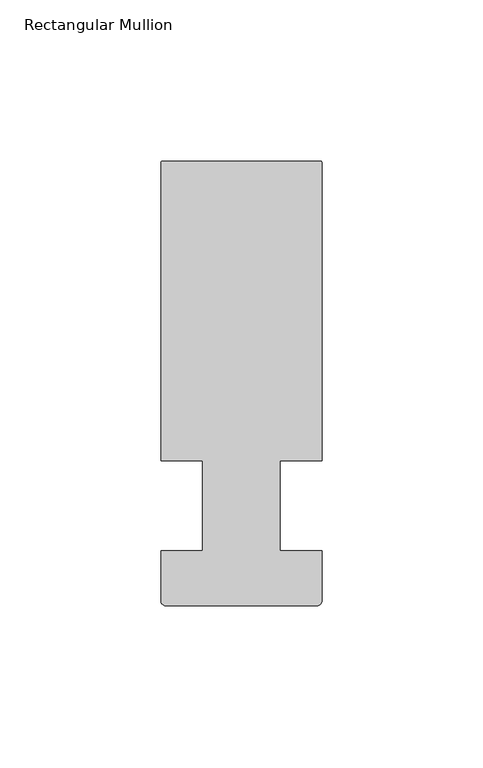
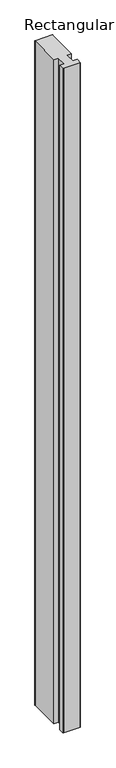
"""IFC4 building model written with IfcOpenShell, lengths in millimetres: member geometry, Rectangular Mullion."""

import ifcopenshell
import ifcopenshell.guid

model = None  # the IFC model being written
_history = None  # IfcOwnerHistory: only IFC2X3 demands one
_inside = {}  # id of a spatial element -> (the spatial element, [elements in it])
_under = {}  # id of a project, library or spatial element -> (it, [spatial elements below it])
_declared = {}  # id of a project -> (the project, [libraries it declares])
_typed = {}  # id of a type object -> (the type object, [elements of that type])
_made_of = {}  # id of a material, layer set ... -> (it, [elements and type objects made of it])


def new_model(schema):
    """Start an empty IFC model of exactly this schema.

    Asked for "IFC4X3", IfcOpenShell would pick the latest addendum, in which some entities
    have other attributes; the version numbers below select the first issue.
    IFC2X3 requires an IfcOwnerHistory on every rooted entity: one is made here for all.
    """
    global model, _history
    if schema == "IFC4X3":
        model = ifcopenshell.file(schema_version=(4, 3, 0, 0))
    else:
        model = ifcopenshell.file(schema=schema)
    _inside.clear()
    _under.clear()
    _declared.clear()
    _typed.clear()
    _made_of.clear()
    _history = None
    if model.schema == "IFC2X3":
        org = make("IfcOrganization", Name="unknown")
        user = make(
            "IfcPersonAndOrganization",
            ThePerson=make("IfcPerson", FamilyName="unknown"),
            TheOrganization=org,
        )
        app = make(
            "IfcApplication",
            ApplicationDeveloper=org,
            Version="unknown",
            ApplicationFullName="unknown",
            ApplicationIdentifier="unknown",
        )
        _history = make(
            "IfcOwnerHistory",
            OwningUser=user,
            OwningApplication=app,
            ChangeAction="ADDED",
            CreationDate=0,
        )
    return model


def make(cls, **values):
    """One entity of the class cls with the attributes given. An attribute that is None is left unset."""
    return model.create_entity(
        cls, **{name: value for name, value in values.items() if value is not None}
    )


def rooted(cls, **values):
    """An entity with a GlobalId (a new one), such as an element, a storey or a relation."""
    return make(cls, GlobalId=ifcopenshell.guid.new(), OwnerHistory=_history, **values)


def si_unit(unit_type, name, prefix=None):
    """IfcSIUnit, for example si_unit("LENGTHUNIT", "METRE", prefix="MILLI")."""
    return make("IfcSIUnit", UnitType=unit_type, Prefix=prefix, Name=name)


def assignment(units):
    """IfcUnitAssignment: the units of a project."""
    return None if units is None else make("IfcUnitAssignment", Units=units)


def point(xyz):
    """IfcCartesianPoint."""
    return None if xyz is None else make("IfcCartesianPoint", Coordinates=xyz)


def direction(xyz):
    """IfcDirection."""
    return None if xyz is None else make("IfcDirection", DirectionRatios=xyz)


def frame(location, z_axis=None, x_axis=None):
    """IfcAxis2Placement3D, a coordinate frame: its origin and axes. An axis left out is left unset."""
    return make(
        "IfcAxis2Placement3D",
        Location=point(location),
        Axis=direction(z_axis),
        RefDirection=direction(x_axis),
    )


def frame_2d(location, x_axis=None):
    """IfcAxis2Placement2D, a coordinate frame in the plane: its origin and x axis."""
    return make(
        "IfcAxis2Placement2D", Location=point(location), RefDirection=direction(x_axis)
    )


def origin():
    """The frame at (0, 0, 0) with its axes left unset."""
    return frame((0.0, 0.0, 0.0))


def place(relative_to, where):
    """IfcLocalPlacement: puts the frame where relative to a parent placement (None: the world)."""
    return make(
        "IfcLocalPlacement", PlacementRelTo=relative_to, RelativePlacement=where
    )


def context(
    kind, dimensions, precision=None, world=None, true_north=None, identifier=None
):
    """IfcGeometricRepresentationContext, for example the 3D "Model" context."""
    return make(
        "IfcGeometricRepresentationContext",
        ContextIdentifier=identifier,
        ContextType=kind,
        CoordinateSpaceDimension=dimensions,
        Precision=precision,
        WorldCoordinateSystem=world,
        TrueNorth=true_north,
    )


def project(units=None, contexts=None):
    """IfcProject with its units and contexts."""
    return rooted(
        "IfcProject",
        Name="project",
        RepresentationContexts=contexts,
        UnitsInContext=assignment(units),
    )


def spatial(cls, under=None, at=None, **own):
    """A site, building, storey or space (cls), placed at a placement, below another one or the project."""
    s = rooted(cls, ObjectPlacement=at, **own)
    if under is not None:
        _under.setdefault(under.id(), (under, []))[1].append(s)
    return s


def polyline(points):
    """IfcPolyline through the points."""
    return make("IfcPolyline", Points=[point(p) for p in points])


def circle_curve(where, radius):
    """IfcCircle in the frame where."""
    return make("IfcCircle", Position=where, Radius=radius)


def trimmed(basis, trim1, trim2, sense, master):
    """IfcTrimmedCurve: the piece of a basis curve between two trims."""
    return make(
        "IfcTrimmedCurve",
        BasisCurve=basis,
        Trim1=trim1,
        Trim2=trim2,
        SenseAgreement=sense,
        MasterRepresentation=master,
    )


def segment(curve, same_sense, transition):
    """IfcCompositeCurveSegment."""
    return make(
        "IfcCompositeCurveSegment",
        Transition=transition,
        SameSense=same_sense,
        ParentCurve=curve,
    )


def composite_curve(segments, self_intersect=None):
    """IfcCompositeCurve: segments joined end to end."""
    return make("IfcCompositeCurve", Segments=segments, SelfIntersect=self_intersect)


def outline(outer, holes=None, kind="AREA"):
    """IfcArbitraryClosedProfileDef: a profile drawn as a closed curve; with holes, ...WithVoids."""
    if holes is None:
        return make("IfcArbitraryClosedProfileDef", ProfileType=kind, OuterCurve=outer)
    return make(
        "IfcArbitraryProfileDefWithVoids",
        ProfileType=kind,
        OuterCurve=outer,
        InnerCurves=holes,
    )


def extrude(swept, where, along, depth):
    """IfcExtrudedAreaSolid: the profile swept, set in the frame where, extruded along a direction by depth."""
    return make(
        "IfcExtrudedAreaSolid",
        SweptArea=swept,
        Position=where,
        ExtrudedDirection=direction(along),
        Depth=depth,
    )


def shape(context_of_items, identifier, shape_type, items):
    """IfcShapeRepresentation: the items that make up one representation, for example the "Body"."""
    return make(
        "IfcShapeRepresentation",
        ContextOfItems=context_of_items,
        RepresentationIdentifier=identifier,
        RepresentationType=shape_type,
        Items=items,
    )


def source(mapping_origin, context_of_items, identifier, shape_type, items):
    """IfcRepresentationMap: a shape defined once, which mapped items show again and again."""
    return make(
        "IfcRepresentationMap",
        MappingOrigin=mapping_origin,
        MappedRepresentation=shape(context_of_items, identifier, shape_type, items),
    )


def transform(
    local_origin,
    x_axis=None,
    y_axis=None,
    z_axis=None,
    scale=None,
    scale2=None,
    scale3=None,
    uniform=True,
):
    """IfcCartesianTransformationOperator3D, or its non-uniform kind. x_axis, y_axis, z_axis: its Axis1, 2, 3."""
    if uniform:
        return make(
            "IfcCartesianTransformationOperator3D",
            Axis1=direction(x_axis),
            Axis2=direction(y_axis),
            LocalOrigin=point(local_origin),
            Scale=scale,
            Axis3=direction(z_axis),
        )
    return make(
        "IfcCartesianTransformationOperator3DnonUniform",
        Axis1=direction(x_axis),
        Axis2=direction(y_axis),
        LocalOrigin=point(local_origin),
        Scale=scale,
        Axis3=direction(z_axis),
        Scale2=scale2,
        Scale3=scale3,
    )


def mapped(mapping_source, mapping_target):
    """IfcMappedItem: shows the shape of a source again, moved by a transform."""
    return make(
        "IfcMappedItem", MappingSource=mapping_source, MappingTarget=mapping_target
    )


def made_of(thing, what):
    """Note that an element or type object is made of a material, layer set ...; save() writes the relation."""
    if what is not None:
        _made_of.setdefault(what.id(), (what, []))[1].append(thing)
    return thing


def element(
    cls,
    number,
    at=None,
    inside=None,
    cuts=None,
    type_object=None,
    material=None,
    context=None,
    identifier="Body",
    shape_type=None,
    held_by="IfcProductDefinitionShape",
    body=None,
    shapes=None,
    **own,
):
    """One element of the class cls, such as IfcWall. Its Tag is "e" and its number.

    at: its placement. inside: the storey or other place that contains it. cuts: it is an
    opening in that element (IfcRelVoidsElement). A single representation is given by context,
    identifier, shape_type and body (its items); several are given by shapes. held_by: the class
    of the entity that holds the representations. save() writes the other relations.
    """
    e = rooted(cls, Tag="e%d" % number, ObjectPlacement=at, **own)
    if body is not None:
        shapes = [shape(context, identifier, shape_type, body)]
    if shapes is not None:
        e.Representation = make(held_by, Representations=shapes)
    if inside is not None:
        _inside.setdefault(inside.id(), (inside, []))[1].append(e)
    if cuts is not None:
        rooted(
            "IfcRelVoidsElement", RelatingBuildingElement=cuts, RelatedOpeningElement=e
        )
    if type_object is not None:
        _typed.setdefault(type_object.id(), (type_object, []))[1].append(e)
    return made_of(e, material)


def aggregate(whole, parts):
    """IfcRelAggregates: a whole, such as a stair, and the parts it consists of."""
    return rooted("IfcRelAggregates", RelatingObject=whole, RelatedObjects=parts)


def save(model, path):
    """Write the relations noted so far, then the file.

    IfcRelAggregates (storeys below a building ...), IfcRelContainedInSpatialStructure (elements
    in a storey), IfcRelDefinesByType, IfcRelAssociatesMaterial and IfcRelDeclares: one each for
    every whole, place, type object, material and project.
    """
    for whole, parts in _under.values():
        aggregate(whole, parts)
    for where, things in _inside.values():
        rooted(
            "IfcRelContainedInSpatialStructure",
            RelatedElements=things,
            RelatingStructure=where,
        )
    for kind, things in _typed.values():
        rooted("IfcRelDefinesByType", RelatedObjects=things, RelatingType=kind)
    for what, things in _made_of.values():
        rooted("IfcRelAssociatesMaterial", RelatedObjects=things, RelatingMaterial=what)
    for by, libraries in _declared.values():
        rooted("IfcRelDeclares", RelatingContext=by, RelatedDefinitions=libraries)
    model.write(path)


def rectangular_mullion_520bb6fc(model_context):
    return source(origin(), model_context, "Body", "SweptSolid", [
        extrude(outline(composite_curve([segment(polyline([(25.0000007, 106.500001), (25.0000007, 14.0), (12.0000006, 14.0), (12.0000006, -14.0), (25.0000007, -14.0), (25.0000007, -29.499999)]), True, "CONTINUOUS"), segment(trimmed(circle_curve(frame_2d((23.5000007, -29.499999)), 1.5), [point((25.0000007, -29.499999))], [point((23.5000007, -30.999999))], False, "CARTESIAN"), True, "CONTINUOUS"), segment(polyline([(23.5000007, -30.999999), (-23.4999993, -30.999999)]), True, "CONTINUOUS"), segment(trimmed(circle_curve(frame_2d((-23.4999993, -29.499999)), 1.5), [point((-23.4999993, -30.999999))], [point((-24.9999993, -29.499999))], False, "CARTESIAN"), True, "CONTINUOUS"), segment(polyline([(-24.9999993, -29.499999), (-24.9999993, -14.0), (-11.9995134, -14.0), (-11.9995134, 14.0), (-24.9999993, 14.0), (-24.9999993, 106.500001)]), True, "CONTINUOUS"), segment(trimmed(circle_curve(frame_2d((-24.4999993, 106.500001)), 0.5), [point((-24.9999993, 106.500001))], [point((-24.4999993, 107.000001))], False, "CARTESIAN"), True, "CONTINUOUS"), segment(polyline([(-24.4999993, 107.000001), (24.5000007, 107.000001)]), True, "CONTINUOUS"), segment(trimmed(circle_curve(frame_2d((24.5000007, 106.500001)), 0.5), [point((24.5000007, 107.000001))], [point((25.0000007, 106.500001))], False, "CARTESIAN"), True, "CONTINUOUS")], self_intersect=False)), frame((0.0, 0.0, -1992.2943907), z_axis=(0.0, 0.0, 1.0), x_axis=(1.0, 0.0, 0.0)), (0.0, 0.0, 1.0), 1992.2943907),
    ])


if __name__ == "__main__":
    model = new_model("IFC4")
    model_context = context("Model", 3, world=origin())
    ifc_project = project(units=[si_unit("LENGTHUNIT", "METRE", prefix="MILLI")], contexts=[model_context])
    site = spatial("IfcSite", under=ifc_project)
    building = spatial("IfcBuilding", under=site)
    placement = place(None, origin())
    rectangular_mullion_shape = rectangular_mullion_520bb6fc(model_context)
    element("IfcMember", 1, ObjectType="Rectangular Mullion", at=placement, inside=building, context=model_context, shape_type="MappedRepresentation", body=[
        mapped(rectangular_mullion_shape, transform((0.0, 0.0, 0.0), x_axis=(1.0, 0.0, 0.0), y_axis=(0.0, 1.0, 0.0), z_axis=(0.0, 0.0, 1.0))),
    ])
    save(model, "model.ifc")
